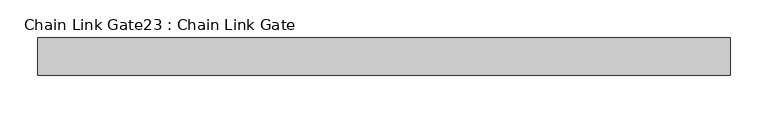
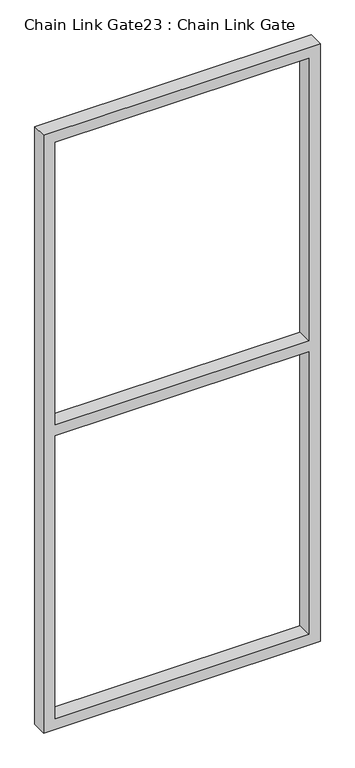
"""IFC4 building model written with IfcOpenShell, lengths in millimetres: proxy geometry, Chain Link Gate23 : Chain Link Gate."""

from ifc_helpers import new_model, si_unit, frame, origin, place, context, project, spatial, polyline, outline, extrude, source, transform, mapped, element, save


def chain_link_gate23_chain_link_gate_3ba5d4c5(model_context):
    return source(origin(), model_context, "Body", "SweptSolid", [
        extrude(outline(polyline([(2120.9, -8201.0348205), (12.7, -8201.0348205), (12.7, -7277.1098205), (2120.9, -7277.1098205), (2120.9, -8201.0348205)]), holes=[polyline([(2082.8, -8162.9348205), (2082.8, -7315.2098205), (1085.85, -7315.2098205), (1085.85, -8162.9348205), (2082.8, -8162.9348205)]), polyline([(1047.75, -7315.2098205), (50.8, -7315.2098205), (50.8, -8162.9348205), (1047.75, -8162.9348205), (1047.75, -7315.2098205)])]), frame((0.0, 15493.7112077, 0.0), z_axis=(0.0, 1.0, 0.0), x_axis=(0.0, 0.0, 1.0)), (0.0, 0.0, 1.0), 50.1314753),
    ])


if __name__ == "__main__":
    model = new_model("IFC4")
    model_context = context("Model", 3, world=origin())
    ifc_project = project(units=[si_unit("LENGTHUNIT", "METRE", prefix="MILLI")], contexts=[model_context])
    site = spatial("IfcSite", under=ifc_project)
    building = spatial("IfcBuilding", under=site)
    placement = place(None, origin())
    chain_link_gate23_chain_link_gate_shape = chain_link_gate23_chain_link_gate_3ba5d4c5(model_context)
    element("IfcBuildingElementProxy", 1, Name="Chain Link Gate23 : Chain Link Gate", ObjectType="Chain Link Gate23 : Chain Link Gate", at=placement, inside=building, context=model_context, shape_type="MappedRepresentation", body=[
        mapped(chain_link_gate23_chain_link_gate_shape, transform((0.0, 0.0, 0.0), x_axis=(1.0, 0.0, 0.0), y_axis=(0.0, 1.0, 0.0), z_axis=(0.0, 0.0, 1.0))),
    ])
    save(model, "model.ifc")
